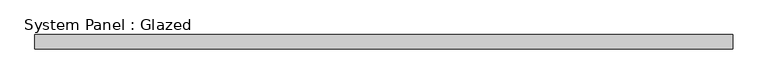
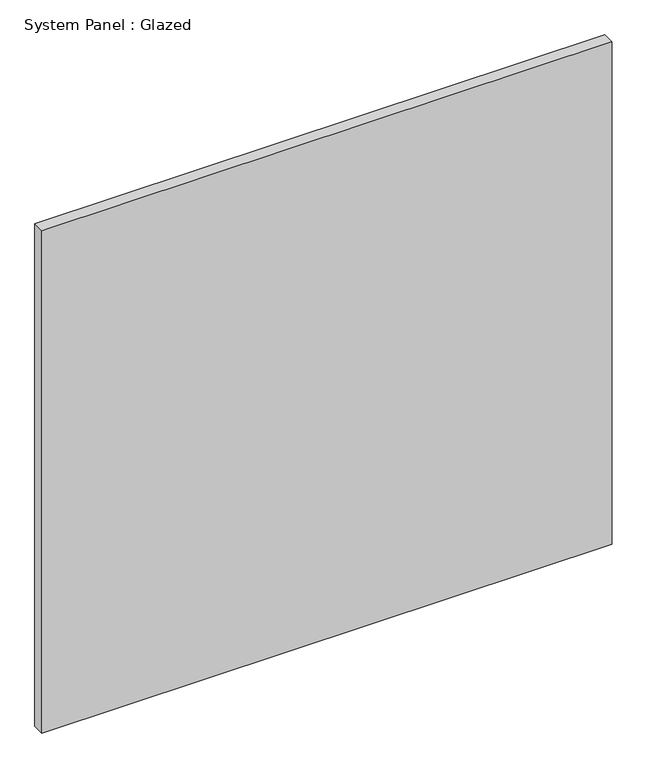
"""IFC4 building model written with IfcOpenShell, lengths in millimetres: plate geometry, System Panel : Glazed."""

import ifcopenshell
import ifcopenshell.guid

model = None  # the IFC model being written
_history = None  # IfcOwnerHistory: only IFC2X3 demands one
_inside = {}  # id of a spatial element -> (the spatial element, [elements in it])
_under = {}  # id of a project, library or spatial element -> (it, [spatial elements below it])
_declared = {}  # id of a project -> (the project, [libraries it declares])
_typed = {}  # id of a type object -> (the type object, [elements of that type])
_made_of = {}  # id of a material, layer set ... -> (it, [elements and type objects made of it])


def new_model(schema):
    """Start an empty IFC model of exactly this schema.

    Asked for "IFC4X3", IfcOpenShell would pick the latest addendum, in which some entities
    have other attributes; the version numbers below select the first issue.
    IFC2X3 requires an IfcOwnerHistory on every rooted entity: one is made here for all.
    """
    global model, _history
    if schema == "IFC4X3":
        model = ifcopenshell.file(schema_version=(4, 3, 0, 0))
    else:
        model = ifcopenshell.file(schema=schema)
    _inside.clear()
    _under.clear()
    _declared.clear()
    _typed.clear()
    _made_of.clear()
    _history = None
    if model.schema == "IFC2X3":
        org = make("IfcOrganization", Name="unknown")
        user = make(
            "IfcPersonAndOrganization",
            ThePerson=make("IfcPerson", FamilyName="unknown"),
            TheOrganization=org,
        )
        app = make(
            "IfcApplication",
            ApplicationDeveloper=org,
            Version="unknown",
            ApplicationFullName="unknown",
            ApplicationIdentifier="unknown",
        )
        _history = make(
            "IfcOwnerHistory",
            OwningUser=user,
            OwningApplication=app,
            ChangeAction="ADDED",
            CreationDate=0,
        )
    return model


def make(cls, **values):
    """One entity of the class cls with the attributes given. An attribute that is None is left unset."""
    return model.create_entity(
        cls, **{name: value for name, value in values.items() if value is not None}
    )


def rooted(cls, **values):
    """An entity with a GlobalId (a new one), such as an element, a storey or a relation."""
    return make(cls, GlobalId=ifcopenshell.guid.new(), OwnerHistory=_history, **values)


def si_unit(unit_type, name, prefix=None):
    """IfcSIUnit, for example si_unit("LENGTHUNIT", "METRE", prefix="MILLI")."""
    return make("IfcSIUnit", UnitType=unit_type, Prefix=prefix, Name=name)


def assignment(units):
    """IfcUnitAssignment: the units of a project."""
    return None if units is None else make("IfcUnitAssignment", Units=units)


def point(xyz):
    """IfcCartesianPoint."""
    return None if xyz is None else make("IfcCartesianPoint", Coordinates=xyz)


def direction(xyz):
    """IfcDirection."""
    return None if xyz is None else make("IfcDirection", DirectionRatios=xyz)


def frame(location, z_axis=None, x_axis=None):
    """IfcAxis2Placement3D, a coordinate frame: its origin and axes. An axis left out is left unset."""
    return make(
        "IfcAxis2Placement3D",
        Location=point(location),
        Axis=direction(z_axis),
        RefDirection=direction(x_axis),
    )


def origin():
    """The frame at (0, 0, 0) with its axes left unset."""
    return frame((0.0, 0.0, 0.0))


def origin_with_axes():
    """The frame at (0, 0, 0) with the z axis (0, 0, 1) and the x axis (1, 0, 0) written out."""
    return frame((0.0, 0.0, 0.0), z_axis=(0.0, 0.0, 1.0), x_axis=(1.0, 0.0, 0.0))


def place(relative_to, where):
    """IfcLocalPlacement: puts the frame where relative to a parent placement (None: the world)."""
    return make(
        "IfcLocalPlacement", PlacementRelTo=relative_to, RelativePlacement=where
    )


def context(
    kind, dimensions, precision=None, world=None, true_north=None, identifier=None
):
    """IfcGeometricRepresentationContext, for example the 3D "Model" context."""
    return make(
        "IfcGeometricRepresentationContext",
        ContextIdentifier=identifier,
        ContextType=kind,
        CoordinateSpaceDimension=dimensions,
        Precision=precision,
        WorldCoordinateSystem=world,
        TrueNorth=true_north,
    )


def project(units=None, contexts=None):
    """IfcProject with its units and contexts."""
    return rooted(
        "IfcProject",
        Name="project",
        RepresentationContexts=contexts,
        UnitsInContext=assignment(units),
    )


def spatial(cls, under=None, at=None, **own):
    """A site, building, storey or space (cls), placed at a placement, below another one or the project."""
    s = rooted(cls, ObjectPlacement=at, **own)
    if under is not None:
        _under.setdefault(under.id(), (under, []))[1].append(s)
    return s


def polyline(points):
    """IfcPolyline through the points."""
    return make("IfcPolyline", Points=[point(p) for p in points])


def outline(outer, holes=None, kind="AREA"):
    """IfcArbitraryClosedProfileDef: a profile drawn as a closed curve; with holes, ...WithVoids."""
    if holes is None:
        return make("IfcArbitraryClosedProfileDef", ProfileType=kind, OuterCurve=outer)
    return make(
        "IfcArbitraryProfileDefWithVoids",
        ProfileType=kind,
        OuterCurve=outer,
        InnerCurves=holes,
    )


def extrude(swept, where, along, depth):
    """IfcExtrudedAreaSolid: the profile swept, set in the frame where, extruded along a direction by depth."""
    return make(
        "IfcExtrudedAreaSolid",
        SweptArea=swept,
        Position=where,
        ExtrudedDirection=direction(along),
        Depth=depth,
    )


def shape(context_of_items, identifier, shape_type, items):
    """IfcShapeRepresentation: the items that make up one representation, for example the "Body"."""
    return make(
        "IfcShapeRepresentation",
        ContextOfItems=context_of_items,
        RepresentationIdentifier=identifier,
        RepresentationType=shape_type,
        Items=items,
    )


def source(mapping_origin, context_of_items, identifier, shape_type, items):
    """IfcRepresentationMap: a shape defined once, which mapped items show again and again."""
    return make(
        "IfcRepresentationMap",
        MappingOrigin=mapping_origin,
        MappedRepresentation=shape(context_of_items, identifier, shape_type, items),
    )


def transform(
    local_origin,
    x_axis=None,
    y_axis=None,
    z_axis=None,
    scale=None,
    scale2=None,
    scale3=None,
    uniform=True,
):
    """IfcCartesianTransformationOperator3D, or its non-uniform kind. x_axis, y_axis, z_axis: its Axis1, 2, 3."""
    if uniform:
        return make(
            "IfcCartesianTransformationOperator3D",
            Axis1=direction(x_axis),
            Axis2=direction(y_axis),
            LocalOrigin=point(local_origin),
            Scale=scale,
            Axis3=direction(z_axis),
        )
    return make(
        "IfcCartesianTransformationOperator3DnonUniform",
        Axis1=direction(x_axis),
        Axis2=direction(y_axis),
        LocalOrigin=point(local_origin),
        Scale=scale,
        Axis3=direction(z_axis),
        Scale2=scale2,
        Scale3=scale3,
    )


def mapped(mapping_source, mapping_target):
    """IfcMappedItem: shows the shape of a source again, moved by a transform."""
    return make(
        "IfcMappedItem", MappingSource=mapping_source, MappingTarget=mapping_target
    )


def made_of(thing, what):
    """Note that an element or type object is made of a material, layer set ...; save() writes the relation."""
    if what is not None:
        _made_of.setdefault(what.id(), (what, []))[1].append(thing)
    return thing


def element(
    cls,
    number,
    at=None,
    inside=None,
    cuts=None,
    type_object=None,
    material=None,
    context=None,
    identifier="Body",
    shape_type=None,
    held_by="IfcProductDefinitionShape",
    body=None,
    shapes=None,
    **own,
):
    """One element of the class cls, such as IfcWall. Its Tag is "e" and its number.

    at: its placement. inside: the storey or other place that contains it. cuts: it is an
    opening in that element (IfcRelVoidsElement). A single representation is given by context,
    identifier, shape_type and body (its items); several are given by shapes. held_by: the class
    of the entity that holds the representations. save() writes the other relations.
    """
    e = rooted(cls, Tag="e%d" % number, ObjectPlacement=at, **own)
    if body is not None:
        shapes = [shape(context, identifier, shape_type, body)]
    if shapes is not None:
        e.Representation = make(held_by, Representations=shapes)
    if inside is not None:
        _inside.setdefault(inside.id(), (inside, []))[1].append(e)
    if cuts is not None:
        rooted(
            "IfcRelVoidsElement", RelatingBuildingElement=cuts, RelatedOpeningElement=e
        )
    if type_object is not None:
        _typed.setdefault(type_object.id(), (type_object, []))[1].append(e)
    return made_of(e, material)


def aggregate(whole, parts):
    """IfcRelAggregates: a whole, such as a stair, and the parts it consists of."""
    return rooted("IfcRelAggregates", RelatingObject=whole, RelatedObjects=parts)


def save(model, path):
    """Write the relations noted so far, then the file.

    IfcRelAggregates (storeys below a building ...), IfcRelContainedInSpatialStructure (elements
    in a storey), IfcRelDefinesByType, IfcRelAssociatesMaterial and IfcRelDeclares: one each for
    every whole, place, type object, material and project.
    """
    for whole, parts in _under.values():
        aggregate(whole, parts)
    for where, things in _inside.values():
        rooted(
            "IfcRelContainedInSpatialStructure",
            RelatedElements=things,
            RelatingStructure=where,
        )
    for kind, things in _typed.values():
        rooted("IfcRelDefinesByType", RelatedObjects=things, RelatingType=kind)
    for what, things in _made_of.values():
        rooted("IfcRelAssociatesMaterial", RelatedObjects=things, RelatingMaterial=what)
    for by, libraries in _declared.values():
        rooted("IfcRelDeclares", RelatingContext=by, RelatedDefinitions=libraries)
    model.write(path)


def system_panel_glazed_890eb5be(model_context):
    return source(origin(), model_context, "Body", "SweptSolid", [
        extrude(outline(polyline([(613.8333333, -12.7), (-613.8333333, -12.7), (-613.8333333, 12.7), (613.8333333, 12.7), (613.8333333, -12.7)])), origin_with_axes(), (0.0, 0.0, 1.0), 1143.0),
    ])


if __name__ == "__main__":
    model = new_model("IFC4")
    model_context = context("Model", 3, world=origin())
    ifc_project = project(units=[si_unit("LENGTHUNIT", "METRE", prefix="MILLI")], contexts=[model_context])
    site = spatial("IfcSite", under=ifc_project)
    building = spatial("IfcBuilding", under=site)
    placement = place(None, origin())
    system_panel_glazed_shape = system_panel_glazed_890eb5be(model_context)
    element("IfcPlate", 1, ObjectType="System Panel : Glazed", at=placement, inside=building, context=model_context, shape_type="MappedRepresentation", body=[
        mapped(system_panel_glazed_shape, transform((0.0, 0.0, 0.0), x_axis=(1.0, 0.0, 0.0), y_axis=(0.0, 1.0, 0.0), z_axis=(0.0, 0.0, 1.0))),
    ])
    save(model, "model.ifc")
